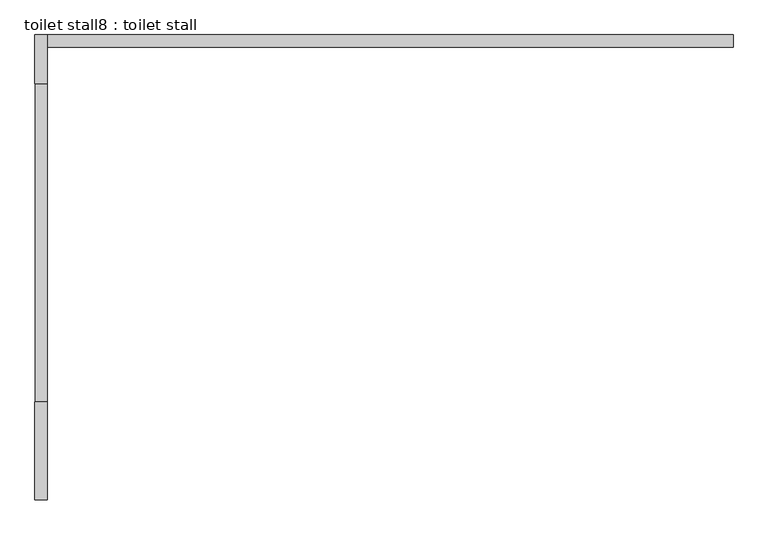
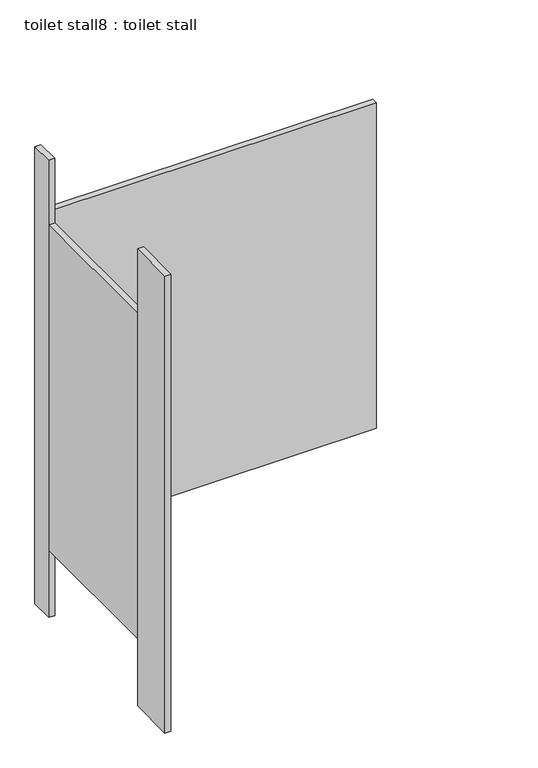
"""IFC4 building model written with IfcOpenShell, lengths in millimetres: proxy geometry, toilet stall8 : toilet stall."""

from ifc_helpers import new_model, si_unit, frame, origin, origin_with_axes, place, context, project, spatial, polyline, outline, extrude, source, transform, mapped, element, save


def toilet_stall8_toilet_stall_c596946d(model_context):
    return source(origin(), model_context, "Body", "SweptSolid", [
        extrude(outline(polyline([(457706.2004676, -333931.4330223), (457706.2004676, -334134.6330223), (457680.8004676, -334134.6330223), (457680.8004676, -333931.4330223), (457706.2004676, -333931.4330223)])), origin_with_axes(), (0.0, 0.0, 1.0), 2070.1),
        extrude(outline(polyline([(457706.2004676, -333169.4330223), (457706.2004676, -333271.0330223), (457680.8004676, -333271.0330223), (457680.8004676, -333169.4330223), (457706.2004676, -333169.4330223)])), origin_with_axes(), (0.0, 0.0, 1.0), 2070.1),
        extrude(outline(polyline([(457706.2004676, -333169.4330223), (459128.6004676, -333169.4330223), (459128.6004676, -333194.8330223), (457706.2004676, -333194.8330223), (457706.2004676, -333169.4330223)])), frame((0.0, 0.0, 304.8), z_axis=(0.0, 0.0, 1.0), x_axis=(1.0, 0.0, 0.0)), (0.0, 0.0, 1.0), 1473.2),
        extrude(outline(polyline([(457681.2686482, -333271.0330223), (457706.6686482, -333271.0330223), (457706.6686482, -333931.4330223), (457681.2686482, -333931.4330223), (457681.2686482, -333271.0330223)])), frame((0.0, 0.0, 304.8), z_axis=(0.0, 0.0, 1.0), x_axis=(1.0, 0.0, 0.0)), (0.0, 0.0, 1.0), 1473.2),
    ])


if __name__ == "__main__":
    model = new_model("IFC4")
    model_context = context("Model", 3, world=origin())
    ifc_project = project(units=[si_unit("LENGTHUNIT", "METRE", prefix="MILLI")], contexts=[model_context])
    site = spatial("IfcSite", under=ifc_project)
    building = spatial("IfcBuilding", under=site)
    placement = place(None, origin())
    toilet_stall8_toilet_stall_shape = toilet_stall8_toilet_stall_c596946d(model_context)
    element("IfcBuildingElementProxy", 1, Name="toilet stall8 : toilet stall", ObjectType="toilet stall8 : toilet stall", at=placement, inside=building, context=model_context, shape_type="MappedRepresentation", body=[
        mapped(toilet_stall8_toilet_stall_shape, transform((0.0, 0.0, 0.0), x_axis=(1.0, 0.0, 0.0), y_axis=(0.0, 1.0, 0.0), z_axis=(0.0, 0.0, 1.0))),
    ])
    save(model, "model.ifc")
